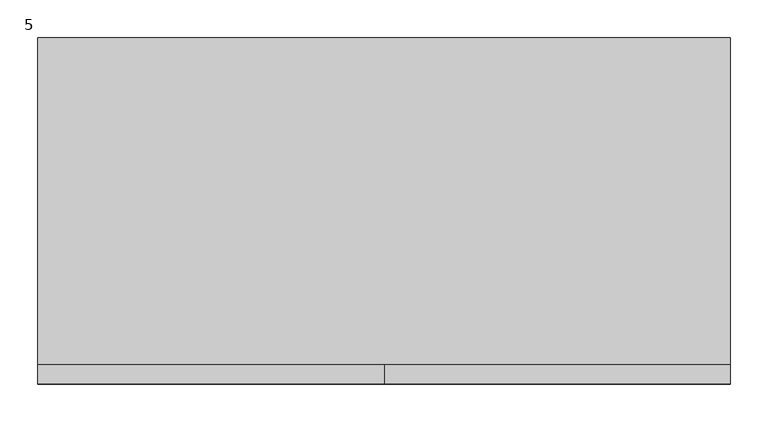
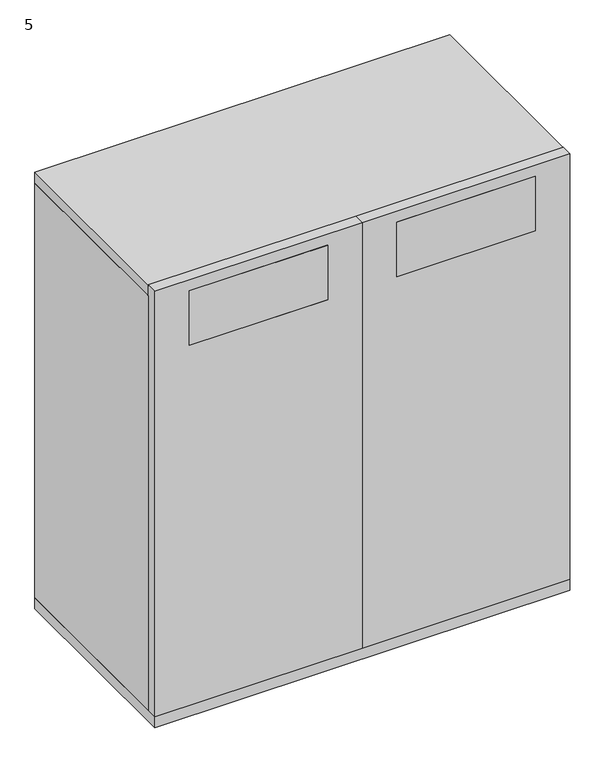
"""IFC4 building model written with IfcOpenShell, lengths in millimetres: furniture geometry, 5."""

import ifcopenshell
import ifcopenshell.guid

model = None  # the IFC model being written
_history = None  # IfcOwnerHistory: only IFC2X3 demands one
_inside = {}  # id of a spatial element -> (the spatial element, [elements in it])
_under = {}  # id of a project, library or spatial element -> (it, [spatial elements below it])
_declared = {}  # id of a project -> (the project, [libraries it declares])
_typed = {}  # id of a type object -> (the type object, [elements of that type])
_made_of = {}  # id of a material, layer set ... -> (it, [elements and type objects made of it])


def new_model(schema):
    """Start an empty IFC model of exactly this schema.

    Asked for "IFC4X3", IfcOpenShell would pick the latest addendum, in which some entities
    have other attributes; the version numbers below select the first issue.
    IFC2X3 requires an IfcOwnerHistory on every rooted entity: one is made here for all.
    """
    global model, _history
    if schema == "IFC4X3":
        model = ifcopenshell.file(schema_version=(4, 3, 0, 0))
    else:
        model = ifcopenshell.file(schema=schema)
    _inside.clear()
    _under.clear()
    _declared.clear()
    _typed.clear()
    _made_of.clear()
    _history = None
    if model.schema == "IFC2X3":
        org = make("IfcOrganization", Name="unknown")
        user = make(
            "IfcPersonAndOrganization",
            ThePerson=make("IfcPerson", FamilyName="unknown"),
            TheOrganization=org,
        )
        app = make(
            "IfcApplication",
            ApplicationDeveloper=org,
            Version="unknown",
            ApplicationFullName="unknown",
            ApplicationIdentifier="unknown",
        )
        _history = make(
            "IfcOwnerHistory",
            OwningUser=user,
            OwningApplication=app,
            ChangeAction="ADDED",
            CreationDate=0,
        )
    return model


def make(cls, **values):
    """One entity of the class cls with the attributes given. An attribute that is None is left unset."""
    return model.create_entity(
        cls, **{name: value for name, value in values.items() if value is not None}
    )


def rooted(cls, **values):
    """An entity with a GlobalId (a new one), such as an element, a storey or a relation."""
    return make(cls, GlobalId=ifcopenshell.guid.new(), OwnerHistory=_history, **values)


def si_unit(unit_type, name, prefix=None):
    """IfcSIUnit, for example si_unit("LENGTHUNIT", "METRE", prefix="MILLI")."""
    return make("IfcSIUnit", UnitType=unit_type, Prefix=prefix, Name=name)


def assignment(units):
    """IfcUnitAssignment: the units of a project."""
    return None if units is None else make("IfcUnitAssignment", Units=units)


def point(xyz):
    """IfcCartesianPoint."""
    return None if xyz is None else make("IfcCartesianPoint", Coordinates=xyz)


def direction(xyz):
    """IfcDirection."""
    return None if xyz is None else make("IfcDirection", DirectionRatios=xyz)


def frame(location, z_axis=None, x_axis=None):
    """IfcAxis2Placement3D, a coordinate frame: its origin and axes. An axis left out is left unset."""
    return make(
        "IfcAxis2Placement3D",
        Location=point(location),
        Axis=direction(z_axis),
        RefDirection=direction(x_axis),
    )


def frame_2d(location, x_axis=None):
    """IfcAxis2Placement2D, a coordinate frame in the plane: its origin and x axis."""
    return make(
        "IfcAxis2Placement2D", Location=point(location), RefDirection=direction(x_axis)
    )


def origin():
    """The frame at (0, 0, 0) with its axes left unset."""
    return frame((0.0, 0.0, 0.0))


def origin_with_axes():
    """The frame at (0, 0, 0) with the z axis (0, 0, 1) and the x axis (1, 0, 0) written out."""
    return frame((0.0, 0.0, 0.0), z_axis=(0.0, 0.0, 1.0), x_axis=(1.0, 0.0, 0.0))


def place(relative_to, where):
    """IfcLocalPlacement: puts the frame where relative to a parent placement (None: the world)."""
    return make(
        "IfcLocalPlacement", PlacementRelTo=relative_to, RelativePlacement=where
    )


def context(
    kind, dimensions, precision=None, world=None, true_north=None, identifier=None
):
    """IfcGeometricRepresentationContext, for example the 3D "Model" context."""
    return make(
        "IfcGeometricRepresentationContext",
        ContextIdentifier=identifier,
        ContextType=kind,
        CoordinateSpaceDimension=dimensions,
        Precision=precision,
        WorldCoordinateSystem=world,
        TrueNorth=true_north,
    )


def project(units=None, contexts=None):
    """IfcProject with its units and contexts."""
    return rooted(
        "IfcProject",
        Name="project",
        RepresentationContexts=contexts,
        UnitsInContext=assignment(units),
    )


def spatial(cls, under=None, at=None, **own):
    """A site, building, storey or space (cls), placed at a placement, below another one or the project."""
    s = rooted(cls, ObjectPlacement=at, **own)
    if under is not None:
        _under.setdefault(under.id(), (under, []))[1].append(s)
    return s


def polyline(points):
    """IfcPolyline through the points."""
    return make("IfcPolyline", Points=[point(p) for p in points])


def circle_curve(where, radius):
    """IfcCircle in the frame where."""
    return make("IfcCircle", Position=where, Radius=radius)


def trimmed(basis, trim1, trim2, sense, master):
    """IfcTrimmedCurve: the piece of a basis curve between two trims."""
    return make(
        "IfcTrimmedCurve",
        BasisCurve=basis,
        Trim1=trim1,
        Trim2=trim2,
        SenseAgreement=sense,
        MasterRepresentation=master,
    )


def segment(curve, same_sense, transition):
    """IfcCompositeCurveSegment."""
    return make(
        "IfcCompositeCurveSegment",
        Transition=transition,
        SameSense=same_sense,
        ParentCurve=curve,
    )


def composite_curve(segments, self_intersect=None):
    """IfcCompositeCurve: segments joined end to end."""
    return make("IfcCompositeCurve", Segments=segments, SelfIntersect=self_intersect)


def outline(outer, holes=None, kind="AREA"):
    """IfcArbitraryClosedProfileDef: a profile drawn as a closed curve; with holes, ...WithVoids."""
    if holes is None:
        return make("IfcArbitraryClosedProfileDef", ProfileType=kind, OuterCurve=outer)
    return make(
        "IfcArbitraryProfileDefWithVoids",
        ProfileType=kind,
        OuterCurve=outer,
        InnerCurves=holes,
    )


def extrude(swept, where, along, depth):
    """IfcExtrudedAreaSolid: the profile swept, set in the frame where, extruded along a direction by depth."""
    return make(
        "IfcExtrudedAreaSolid",
        SweptArea=swept,
        Position=where,
        ExtrudedDirection=direction(along),
        Depth=depth,
    )


def shape(context_of_items, identifier, shape_type, items):
    """IfcShapeRepresentation: the items that make up one representation, for example the "Body"."""
    return make(
        "IfcShapeRepresentation",
        ContextOfItems=context_of_items,
        RepresentationIdentifier=identifier,
        RepresentationType=shape_type,
        Items=items,
    )


def source(mapping_origin, context_of_items, identifier, shape_type, items):
    """IfcRepresentationMap: a shape defined once, which mapped items show again and again."""
    return make(
        "IfcRepresentationMap",
        MappingOrigin=mapping_origin,
        MappedRepresentation=shape(context_of_items, identifier, shape_type, items),
    )


def transform(
    local_origin,
    x_axis=None,
    y_axis=None,
    z_axis=None,
    scale=None,
    scale2=None,
    scale3=None,
    uniform=True,
):
    """IfcCartesianTransformationOperator3D, or its non-uniform kind. x_axis, y_axis, z_axis: its Axis1, 2, 3."""
    if uniform:
        return make(
            "IfcCartesianTransformationOperator3D",
            Axis1=direction(x_axis),
            Axis2=direction(y_axis),
            LocalOrigin=point(local_origin),
            Scale=scale,
            Axis3=direction(z_axis),
        )
    return make(
        "IfcCartesianTransformationOperator3DnonUniform",
        Axis1=direction(x_axis),
        Axis2=direction(y_axis),
        LocalOrigin=point(local_origin),
        Scale=scale,
        Axis3=direction(z_axis),
        Scale2=scale2,
        Scale3=scale3,
    )


def mapped(mapping_source, mapping_target):
    """IfcMappedItem: shows the shape of a source again, moved by a transform."""
    return make(
        "IfcMappedItem", MappingSource=mapping_source, MappingTarget=mapping_target
    )


def made_of(thing, what):
    """Note that an element or type object is made of a material, layer set ...; save() writes the relation."""
    if what is not None:
        _made_of.setdefault(what.id(), (what, []))[1].append(thing)
    return thing


def element(
    cls,
    number,
    at=None,
    inside=None,
    cuts=None,
    type_object=None,
    material=None,
    context=None,
    identifier="Body",
    shape_type=None,
    held_by="IfcProductDefinitionShape",
    body=None,
    shapes=None,
    **own,
):
    """One element of the class cls, such as IfcWall. Its Tag is "e" and its number.

    at: its placement. inside: the storey or other place that contains it. cuts: it is an
    opening in that element (IfcRelVoidsElement). A single representation is given by context,
    identifier, shape_type and body (its items); several are given by shapes. held_by: the class
    of the entity that holds the representations. save() writes the other relations.
    """
    e = rooted(cls, Tag="e%d" % number, ObjectPlacement=at, **own)
    if body is not None:
        shapes = [shape(context, identifier, shape_type, body)]
    if shapes is not None:
        e.Representation = make(held_by, Representations=shapes)
    if inside is not None:
        _inside.setdefault(inside.id(), (inside, []))[1].append(e)
    if cuts is not None:
        rooted(
            "IfcRelVoidsElement", RelatingBuildingElement=cuts, RelatedOpeningElement=e
        )
    if type_object is not None:
        _typed.setdefault(type_object.id(), (type_object, []))[1].append(e)
    return made_of(e, material)


def aggregate(whole, parts):
    """IfcRelAggregates: a whole, such as a stair, and the parts it consists of."""
    return rooted("IfcRelAggregates", RelatingObject=whole, RelatedObjects=parts)


def save(model, path):
    """Write the relations noted so far, then the file.

    IfcRelAggregates (storeys below a building ...), IfcRelContainedInSpatialStructure (elements
    in a storey), IfcRelDefinesByType, IfcRelAssociatesMaterial and IfcRelDeclares: one each for
    every whole, place, type object, material and project.
    """
    for whole, parts in _under.values():
        aggregate(whole, parts)
    for where, things in _inside.values():
        rooted(
            "IfcRelContainedInSpatialStructure",
            RelatedElements=things,
            RelatingStructure=where,
        )
    for kind, things in _typed.values():
        rooted("IfcRelDefinesByType", RelatedObjects=things, RelatingType=kind)
    for what, things in _made_of.values():
        rooted("IfcRelAssociatesMaterial", RelatedObjects=things, RelatingMaterial=what)
    for by, libraries in _declared.values():
        rooted("IfcRelDeclares", RelatingContext=by, RelatedDefinitions=libraries)
    model.write(path)


def furniture_5_e52893c9(model_context):
    return source(origin(), model_context, "Body", "SweptSolid", [
        extrude(outline(polyline([(838.2, -457.2), (533.4, -457.2), (533.4, -431.8), (838.2, -431.8), (838.2, -457.2)])), frame((0.0, 0.0, 876.3), z_axis=(0.0, 0.0, 1.0), x_axis=(1.0, 0.0, 0.0)), (0.0, 0.0, 1.0), 127.0),
        extrude(outline(polyline([(381.0, -457.2), (76.2, -457.2), (76.2, -431.8), (381.0, -431.8), (381.0, -457.2)])), frame((0.0, 0.0, 876.3), z_axis=(0.0, 0.0, 1.0), x_axis=(1.0, 0.0, 0.0)), (0.0, 0.0, 1.0), 127.0),
        extrude(outline(polyline([(889.0, 0.0), (889.0, -6.35), (25.4, -6.35), (25.4, 0.0), (889.0, 0.0)])), frame((0.0, 0.0, 38.1), z_axis=(0.0, 0.0, 1.0), x_axis=(1.0, 0.0, 0.0)), (0.0, 0.0, 1.0), 965.2),
        extrude(outline(polyline([(0.0, -431.8), (0.0, 0.0), (25.4, 0.0), (25.4, -431.8), (0.0, -431.8)])), frame((0.0, 0.0, 38.1), z_axis=(0.0, 0.0, 1.0), x_axis=(1.0, 0.0, 0.0)), (0.0, 0.0, 1.0), 965.2),
        extrude(outline(polyline([(914.4, -431.8), (889.0, -431.8), (889.0, 0.0), (914.4, 0.0), (914.4, -431.8)])), frame((0.0, 0.0, 38.1), z_axis=(0.0, 0.0, 1.0), x_axis=(1.0, 0.0, 0.0)), (0.0, 0.0, 1.0), 965.2),
        extrude(outline(polyline([(1028.7, 457.2), (1028.7, 0.0), (38.1, 0.0), (38.1, 457.2), (1028.7, 457.2)]), holes=[polyline([(1003.3, 76.2), (1003.3, 381.0), (876.3, 381.0), (876.3, 76.2), (1003.3, 76.2)])]), frame((0.0, -457.2, 0.0), z_axis=(0.0, 1.0, 0.0), x_axis=(0.0, 0.0, 1.0)), (0.0, 0.0, 1.0), 25.4),
        extrude(outline(polyline([(1028.7, 457.2), (38.1, 457.2), (38.1, 914.4), (1028.7, 914.4), (1028.7, 457.2)]), holes=[polyline([(1003.3, 838.2), (876.3, 838.2), (876.3, 533.4), (1003.3, 533.4), (1003.3, 838.2)])]), frame((0.0, -457.2, 0.0), z_axis=(0.0, 1.0, 0.0), x_axis=(0.0, 0.0, 1.0)), (0.0, 0.0, 1.0), 25.4),
        extrude(outline(polyline([(914.4, 0.0), (914.4, -434.6443623), (0.0, -434.6443623), (0.0, 0.0), (914.4, 0.0)])), frame((0.0, 0.0, 1003.3), z_axis=(0.0, 0.0, 1.0), x_axis=(1.0, 0.0, 0.0)), (0.0, 0.0, 1.0), 25.4),
        extrude(outline(polyline([(914.4, -457.2), (0.0, -457.2), (0.0, 0.0), (914.4, 0.0), (914.4, -457.2)])), frame((0.0, 0.0, 12.7), z_axis=(0.0, 0.0, 1.0), x_axis=(1.0, 0.0, 0.0)), (0.0, 0.0, 1.0), 25.4),
        extrude(outline(composite_curve([segment(trimmed(circle_curve(frame_2d((28.5450835, 863.6)), 0.9921875), [point((28.5450835, 864.5921875))], [point((28.5450835, 862.6078125))], False, "CARTESIAN"), True, "CONTINUOUS"), segment(trimmed(circle_curve(frame_2d((28.5450835, 863.6)), 0.9921875), [point((28.5450835, 862.6078125))], [point((28.5450835, 864.5921875))], False, "CARTESIAN"), True, "CONTINUOUS")], self_intersect=False)), frame((0.0, -432.9785671, 0.0), z_axis=(0.0, 1.0, 0.0), x_axis=(0.0, 0.0, 1.0)), (0.0, 0.0, 1.0), 53.0422756),
        extrude(outline(polyline([(12.7, 832.6896756), (11.7078125, 854.6518893), (11.7078125, 874.0068204), (12.7, 874.0068204), (12.7, 832.6896756)])), frame((0.0, -434.6443623, 0.0), z_axis=(0.0, 1.0, 0.0), x_axis=(0.0, 0.0, 1.0)), (0.0, 0.0, 1.0), 0.9921875),
        extrude(outline(composite_curve([segment(trimmed(circle_curve(frame_2d((28.5450835, 50.8)), 0.9921875), [point((28.5450835, 49.8078125))], [point((28.5450835, 51.7921875))], False, "CARTESIAN"), True, "CONTINUOUS"), segment(trimmed(circle_curve(frame_2d((28.5450835, 50.8)), 0.9921875), [point((28.5450835, 51.7921875))], [point((28.5450835, 49.8078125))], False, "CARTESIAN"), True, "CONTINUOUS")], self_intersect=False)), frame((0.0, -432.9785671, 0.0), z_axis=(0.0, 1.0, 0.0), x_axis=(0.0, 0.0, 1.0)), (0.0, 0.0, 1.0), 53.0422756),
        extrude(outline(polyline([(12.7, 81.7103244), (12.7, 40.3931796), (11.7078125, 40.3931796), (11.7078125, 59.7481107), (12.7, 81.7103244)])), frame((0.0, -434.6443623, 0.0), z_axis=(0.0, 1.0, 0.0), x_axis=(0.0, 0.0, 1.0)), (0.0, 0.0, 1.0), 0.9921875),
        extrude(outline(composite_curve([segment(trimmed(circle_curve(frame_2d((28.5450835, 863.6)), 0.9921875), [point((28.5450835, 864.5921875))], [point((28.5450835, 862.6078125))], False, "CARTESIAN"), True, "CONTINUOUS"), segment(trimmed(circle_curve(frame_2d((28.5450835, 863.6)), 0.9921875), [point((28.5450835, 862.6078125))], [point((28.5450835, 864.5921875))], False, "CARTESIAN"), True, "CONTINUOUS")], self_intersect=False)), frame((0.0, -77.2637085, 0.0), z_axis=(0.0, 1.0, 0.0), x_axis=(0.0, 0.0, 1.0)), (0.0, 0.0, 1.0), 53.0422756),
        extrude(outline(polyline([(12.7, 832.6896756), (11.7078125, 854.6518893), (11.7078125, 874.0068204), (12.7, 874.0068204), (12.7, 832.6896756)])), frame((0.0, -23.5478252, 0.0), z_axis=(0.0, 1.0, 0.0), x_axis=(0.0, 0.0, 1.0)), (0.0, 0.0, 1.0), 0.9921875),
        extrude(outline(composite_curve([segment(trimmed(circle_curve(frame_2d((28.5450835, 50.8)), 0.9921875), [point((28.5450835, 49.8078125))], [point((28.5450835, 51.7921875))], False, "CARTESIAN"), True, "CONTINUOUS"), segment(trimmed(circle_curve(frame_2d((28.5450835, 50.8)), 0.9921875), [point((28.5450835, 51.7921875))], [point((28.5450835, 49.8078125))], False, "CARTESIAN"), True, "CONTINUOUS")], self_intersect=False)), frame((0.0, -77.2637085, 0.0), z_axis=(0.0, 1.0, 0.0), x_axis=(0.0, 0.0, 1.0)), (0.0, 0.0, 1.0), 53.0422756),
        extrude(outline(polyline([(12.7, 81.7103244), (12.7, 40.3931796), (11.7078125, 40.3931796), (11.7078125, 59.7481107), (12.7, 81.7103244)])), frame((0.0, -23.5478252, 0.0), z_axis=(0.0, 1.0, 0.0), x_axis=(0.0, 0.0, 1.0)), (0.0, 0.0, 1.0), 0.9921875),
        extrude(outline(composite_curve([segment(trimmed(circle_curve(frame_2d((850.9, -406.4)), 15.9254799), [point((866.8254799, -406.4))], [point((834.9745201, -406.4))], False, "CARTESIAN"), True, "CONTINUOUS"), segment(trimmed(circle_curve(frame_2d((850.9, -406.4)), 15.9254799), [point((834.9745201, -406.4))], [point((866.8254799, -406.4))], False, "CARTESIAN"), True, "CONTINUOUS")], self_intersect=False)), origin_with_axes(), (0.0, 0.0, 1.0), 7.9375),
        extrude(outline(composite_curve([segment(trimmed(circle_curve(frame_2d((850.9, -406.4)), 10.16), [point((861.06, -406.4))], [point((840.74, -406.4))], False, "CARTESIAN"), True, "CONTINUOUS"), segment(trimmed(circle_curve(frame_2d((850.9, -406.4)), 10.16), [point((840.74, -406.4))], [point((861.06, -406.4))], False, "CARTESIAN"), True, "CONTINUOUS")], self_intersect=False)), frame((0.0, 0.0, 7.9375), z_axis=(0.0, 0.0, 1.0), x_axis=(1.0, 0.0, 0.0)), (0.0, 0.0, 1.0), 4.7625),
        extrude(outline(composite_curve([segment(trimmed(circle_curve(frame_2d((850.9, -50.8)), 15.9254799), [point((866.8254799, -50.8))], [point((834.9745201, -50.8))], False, "CARTESIAN"), True, "CONTINUOUS"), segment(trimmed(circle_curve(frame_2d((850.9, -50.8)), 15.9254799), [point((834.9745201, -50.8))], [point((866.8254799, -50.8))], False, "CARTESIAN"), True, "CONTINUOUS")], self_intersect=False)), origin_with_axes(), (0.0, 0.0, 1.0), 7.9375),
        extrude(outline(composite_curve([segment(trimmed(circle_curve(frame_2d((850.9, -50.8)), 10.16), [point((861.06, -50.8))], [point((840.74, -50.8))], False, "CARTESIAN"), True, "CONTINUOUS"), segment(trimmed(circle_curve(frame_2d((850.9, -50.8)), 10.16), [point((840.74, -50.8))], [point((861.06, -50.8))], False, "CARTESIAN"), True, "CONTINUOUS")], self_intersect=False)), frame((0.0, 0.0, 7.9375), z_axis=(0.0, 0.0, 1.0), x_axis=(1.0, 0.0, 0.0)), (0.0, 0.0, 1.0), 4.7625),
        extrude(outline(composite_curve([segment(trimmed(circle_curve(frame_2d((63.5, -406.4)), 15.9254799), [point((47.5745201, -406.4))], [point((79.4254799, -406.4))], False, "CARTESIAN"), True, "CONTINUOUS"), segment(trimmed(circle_curve(frame_2d((63.5, -406.4)), 15.9254799), [point((79.4254799, -406.4))], [point((47.5745201, -406.4))], False, "CARTESIAN"), True, "CONTINUOUS")], self_intersect=False)), origin_with_axes(), (0.0, 0.0, 1.0), 7.9375),
        extrude(outline(composite_curve([segment(trimmed(circle_curve(frame_2d((63.5, -406.4)), 10.16), [point((53.34, -406.4))], [point((73.66, -406.4))], False, "CARTESIAN"), True, "CONTINUOUS"), segment(trimmed(circle_curve(frame_2d((63.5, -406.4)), 10.16), [point((73.66, -406.4))], [point((53.34, -406.4))], False, "CARTESIAN"), True, "CONTINUOUS")], self_intersect=False)), frame((0.0, 0.0, 7.9375), z_axis=(0.0, 0.0, 1.0), x_axis=(1.0, 0.0, 0.0)), (0.0, 0.0, 1.0), 4.7625),
        extrude(outline(composite_curve([segment(trimmed(circle_curve(frame_2d((63.5, -50.8)), 15.9254799), [point((47.5745201, -50.8))], [point((79.4254799, -50.8))], False, "CARTESIAN"), True, "CONTINUOUS"), segment(trimmed(circle_curve(frame_2d((63.5, -50.8)), 15.9254799), [point((79.4254799, -50.8))], [point((47.5745201, -50.8))], False, "CARTESIAN"), True, "CONTINUOUS")], self_intersect=False)), origin_with_axes(), (0.0, 0.0, 1.0), 7.9375),
        extrude(outline(composite_curve([segment(trimmed(circle_curve(frame_2d((63.5, -50.8)), 10.16), [point((53.34, -50.8))], [point((73.66, -50.8))], False, "CARTESIAN"), True, "CONTINUOUS"), segment(trimmed(circle_curve(frame_2d((63.5, -50.8)), 10.16), [point((73.66, -50.8))], [point((53.34, -50.8))], False, "CARTESIAN"), True, "CONTINUOUS")], self_intersect=False)), frame((0.0, 0.0, 7.9375), z_axis=(0.0, 0.0, 1.0), x_axis=(1.0, 0.0, 0.0)), (0.0, 0.0, 1.0), 4.7625),
    ])


if __name__ == "__main__":
    model = new_model("IFC4")
    model_context = context("Model", 3, world=origin())
    ifc_project = project(units=[si_unit("LENGTHUNIT", "METRE", prefix="MILLI")], contexts=[model_context])
    site = spatial("IfcSite", under=ifc_project)
    building = spatial("IfcBuilding", under=site)
    placement = place(None, origin())
    furniture_5_shape = furniture_5_e52893c9(model_context)
    element("IfcFurniture", 1, ObjectType="5", at=placement, inside=building, context=model_context, shape_type="MappedRepresentation", body=[
        mapped(furniture_5_shape, transform((0.0, 0.0, 0.0), x_axis=(1.0, 0.0, 0.0), y_axis=(0.0, 1.0, 0.0), z_axis=(0.0, 0.0, 1.0))),
    ])
    save(model, "model.ifc")
